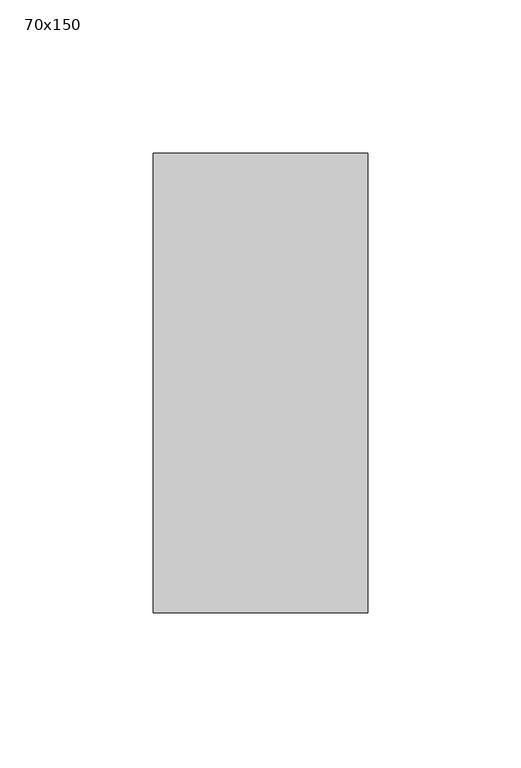
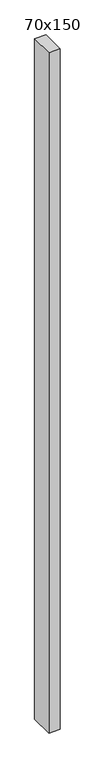
"""IFC4 building model written with IfcOpenShell, lengths in millimetres: member geometry, 70x150."""

from ifc_helpers import new_model, si_unit, frame, origin, place, context, project, spatial, polyline, outline, extrude, source, transform, mapped, element, save


def member_70x150_bba5452b(model_context):
    return source(origin(), model_context, "Body", "SweptSolid", [
        extrude(outline(polyline([(35.0, 75.0), (35.0, -75.0), (-35.0, -75.0), (-35.0, 75.0), (35.0, 75.0)])), frame((0.0, 0.0, -4413.3333333), z_axis=(0.0, 0.0, 1.0), x_axis=(1.0, 0.0, 0.0)), (0.0, 0.0, 1.0), 4413.3333333),
    ])


if __name__ == "__main__":
    model = new_model("IFC4")
    model_context = context("Model", 3, world=origin())
    ifc_project = project(units=[si_unit("LENGTHUNIT", "METRE", prefix="MILLI")], contexts=[model_context])
    site = spatial("IfcSite", under=ifc_project)
    building = spatial("IfcBuilding", under=site)
    placement = place(None, origin())
    member_70x150_shape = member_70x150_bba5452b(model_context)
    element("IfcMember", 1, ObjectType="70x150", at=placement, inside=building, context=model_context, shape_type="MappedRepresentation", body=[
        mapped(member_70x150_shape, transform((0.0, 0.0, 0.0), x_axis=(1.0, 0.0, 0.0), y_axis=(0.0, 1.0, 0.0), z_axis=(0.0, 0.0, 1.0))),
    ])
    save(model, "model.ifc")
